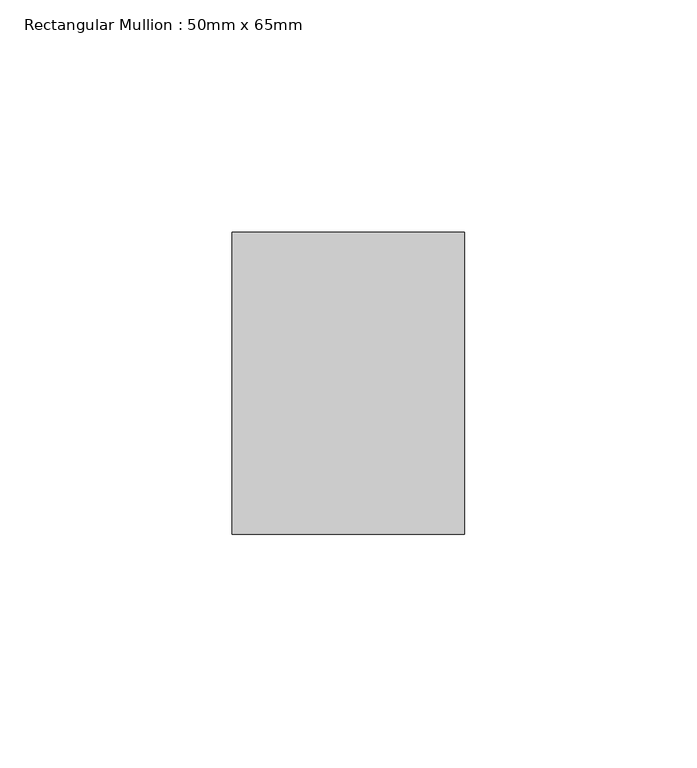
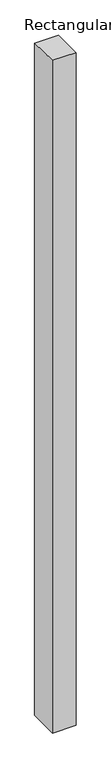
"""IFC4 building model written with IfcOpenShell, lengths in millimetres: member geometry, Rectangular Mullion : 50mm x 65mm."""

from ifc_helpers import new_model, si_unit, origin, place, context, project, spatial, faceted_brep, source, transform, mapped, element, save


def rectangular_mullion_50mm_x_65mm_89556701(model_context):
    return source(origin(), model_context, "Body", "Brep", [
        faceted_brep([(-25.0, 32.5, -0.3536715), (25.0, 32.5, -0.3536684), (25.0, 32.5, -1499.548351), (-25.0, 32.5, -1499.548347), (-25.0, -32.5, 0.3536684), (-25.0, -32.5, -1500.4519757), (25.0, -32.5, 0.3536715), (25.0, -32.5, -1500.4519796)], [[[0, 1, 2, 3]], [[4, 0, 3, 5]], [[6, 4, 5, 7]], [[1, 6, 7, 2]], [[1, 0, 4, 6]], [[2, 7, 5, 3]]]),
    ])


if __name__ == "__main__":
    model = new_model("IFC4")
    model_context = context("Model", 3, world=origin())
    ifc_project = project(units=[si_unit("LENGTHUNIT", "METRE", prefix="MILLI")], contexts=[model_context])
    site = spatial("IfcSite", under=ifc_project)
    building = spatial("IfcBuilding", under=site)
    placement = place(None, origin())
    rectangular_mullion_50mm_x_65mm_shape = rectangular_mullion_50mm_x_65mm_89556701(model_context)
    element("IfcMember", 1, ObjectType="Rectangular Mullion : 50mm x 65mm", at=placement, inside=building, context=model_context, shape_type="MappedRepresentation", body=[
        mapped(rectangular_mullion_50mm_x_65mm_shape, transform((0.0, 0.0, 0.0), x_axis=(1.0, 0.0, 0.0), y_axis=(0.0, 1.0, 0.0), z_axis=(0.0, 0.0, 1.0))),
    ])
    save(model, "model.ifc")
